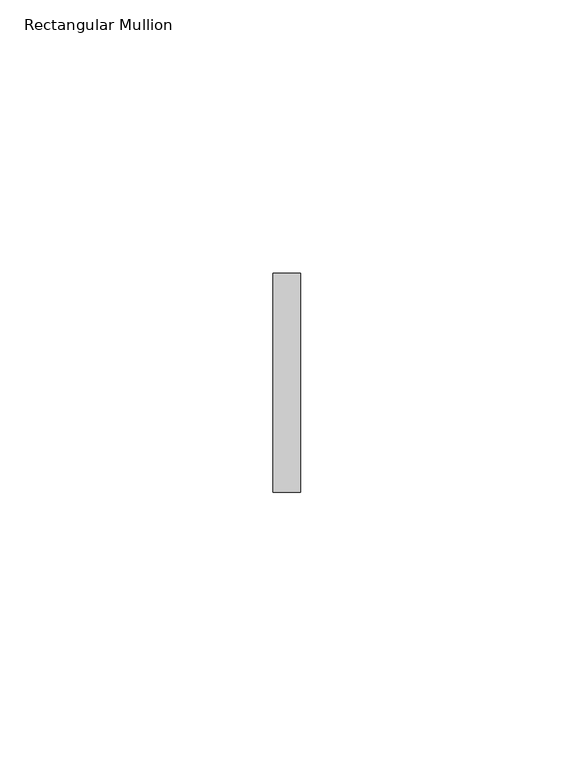
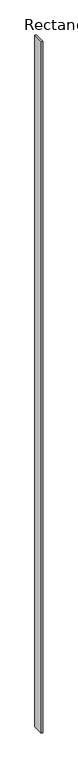
"""IFC4 building model written with IfcOpenShell, lengths in millimetres: member geometry, Rectangular Mullion."""

from ifc_helpers import new_model, si_unit, frame, origin, place, context, project, spatial, polyline, outline, extrude, source, transform, mapped, element, save


def rectangular_mullion_260154f1(model_context):
    return source(origin(), model_context, "Body", "SweptSolid", [
        extrude(outline(polyline([(0.0, 20.0), (0.0, -20.0), (-5.0, -20.0), (-5.0, 20.0), (0.0, 20.0)])), frame((0.0, 0.0, -2616.0), z_axis=(0.0, 0.0, 1.0), x_axis=(1.0, 0.0, 0.0)), (0.0, 0.0, 1.0), 2616.0),
    ])


if __name__ == "__main__":
    model = new_model("IFC4")
    model_context = context("Model", 3, world=origin())
    ifc_project = project(units=[si_unit("LENGTHUNIT", "METRE", prefix="MILLI")], contexts=[model_context])
    site = spatial("IfcSite", under=ifc_project)
    building = spatial("IfcBuilding", under=site)
    placement = place(None, origin())
    rectangular_mullion_shape = rectangular_mullion_260154f1(model_context)
    element("IfcMember", 1, ObjectType="Rectangular Mullion", at=placement, inside=building, context=model_context, shape_type="MappedRepresentation", body=[
        mapped(rectangular_mullion_shape, transform((0.0, 0.0, 0.0), x_axis=(1.0, 0.0, 0.0), y_axis=(0.0, 1.0, 0.0), z_axis=(0.0, 0.0, 1.0))),
    ])
    save(model, "model.ifc")
